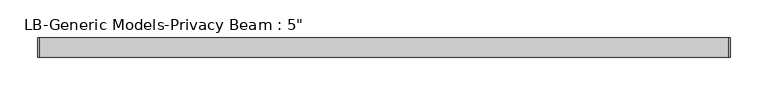
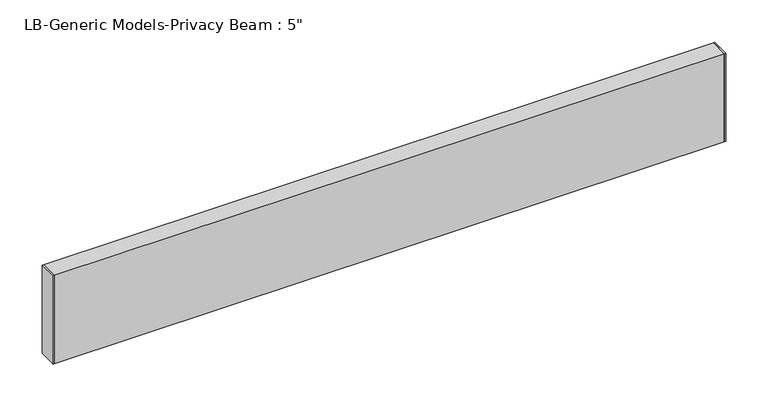
"""IFC4 building model written with IfcOpenShell, lengths in millimetres: proxy geometry."""

from ifc_helpers import new_model, si_unit, frame, origin, place, context, project, spatial, polyline, outline, extrude, source, transform, mapped, element, save


def proxy_37ff6bae(model_context):
    return source(origin(), model_context, "Body", "SweptSolid", [
        extrude(outline(polyline([(0.0, -12.7), (0.0, 12.7), (1.651, 12.7), (1.651, -12.7), (0.0, -12.7)])), frame((0.0, 0.0, -63.5), z_axis=(0.0, 0.0, 1.0), x_axis=(1.0, 0.0, 0.0)), (0.0, 0.0, 1.0), 127.0),
        extrude(outline(polyline([(914.4, -12.7), (912.749, -12.7), (912.749, 12.7), (914.4, 12.7), (914.4, -12.7)])), frame((0.0, 0.0, -63.5), z_axis=(0.0, 0.0, 1.0), x_axis=(1.0, 0.0, 0.0)), (0.0, 0.0, 1.0), 127.0),
        extrude(outline(polyline([(12.7, 63.5), (12.7, -63.5), (-12.7, -63.5), (-12.7, 63.5), (12.7, 63.5)]), holes=[polyline([(11.176, 61.976), (-11.176, 61.976), (-11.176, -61.976), (11.176, -61.976), (11.176, 61.976)])]), frame((1.651, 0.0, 0.0), z_axis=(1.0, 0.0, 0.0), x_axis=(0.0, 1.0, 0.0)), (0.0, 0.0, 1.0), 911.098),
    ])


if __name__ == "__main__":
    model = new_model("IFC4")
    model_context = context("Model", 3, world=origin())
    ifc_project = project(units=[si_unit("LENGTHUNIT", "METRE", prefix="MILLI")], contexts=[model_context])
    site = spatial("IfcSite", under=ifc_project)
    building = spatial("IfcBuilding", under=site)
    placement = place(None, origin())
    proxy_shape = proxy_37ff6bae(model_context)
    element("IfcBuildingElementProxy", 1, Name="LB-Generic Models-Privacy Beam : 5\"", ObjectType="LB-Generic Models-Privacy Beam : 5\"", at=placement, inside=building, context=model_context, shape_type="MappedRepresentation", body=[
        mapped(proxy_shape, transform((0.0, 0.0, 0.0), x_axis=(1.0, 0.0, 0.0), y_axis=(0.0, 1.0, 0.0), z_axis=(0.0, 0.0, 1.0))),
    ])
    save(model, "model.ifc")
